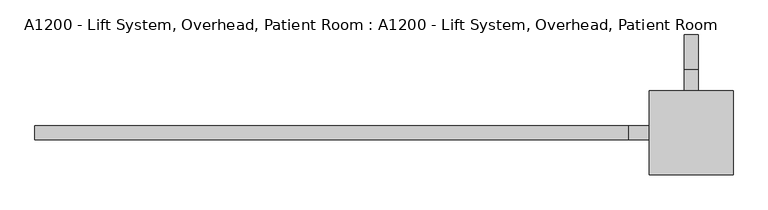
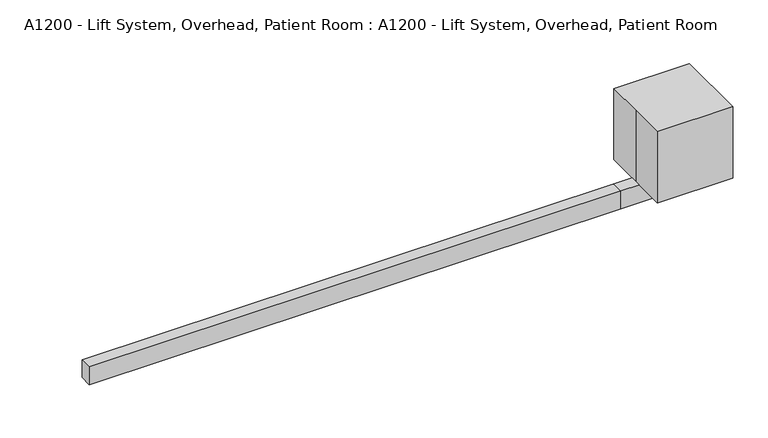
"""IFC4 building model written with IfcOpenShell, lengths in millimetres: proxy geometry, A1200 - Lift System, Overhead, Patient Room : A1200 - Lift System, Overhead, Patient Room."""

from ifc_helpers import new_model, si_unit, frame, origin, origin_with_axes, place, context, project, spatial, polyline, outline, extrude, source, transform, mapped, element, save


def a1200_lift_system_overhead_patient_room_a1200_lift_system_8ed1540f(model_context):
    return source(origin(), model_context, "Body", "SweptSolid", [
        extrude(outline(polyline([(-228.6, 25.4), (-228.6, -25.4), (-2379.5509006, -25.4), (-2379.5509006, 25.4), (-228.6, 25.4)])), frame((0.0, 0.0, -76.2), z_axis=(0.0, 0.0, 1.0), x_axis=(1.0, 0.0, 0.0)), (0.0, 0.0, 1.0), 76.2),
        extrude(outline(polyline([(-25.4, 228.6), (25.4, 228.6), (25.4, -25.4), (-228.6, -25.4), (-228.6, 25.4), (-25.4, 25.4), (-25.4, 228.6)])), frame((0.0, 0.0, -76.2), z_axis=(0.0, 0.0, 1.0), x_axis=(1.0, 0.0, 0.0)), (0.0, 0.0, 1.0), 76.2),
        extrude(outline(polyline([(25.4, 228.6), (-25.4, 228.6), (-25.4, 355.6), (25.4, 355.6), (25.4, 228.6)])), frame((0.0, 0.0, -76.2), z_axis=(0.0, 0.0, 1.0), x_axis=(1.0, 0.0, 0.0)), (0.0, 0.0, 1.0), 76.2),
        extrude(outline(polyline([(-152.4, 152.4), (152.4, 152.4), (152.4, -152.4), (-152.4, -152.4), (-152.4, 0.0), (-152.4, 152.4)])), origin_with_axes(), (0.0, 0.0, 1.0), 304.8),
    ])


if __name__ == "__main__":
    model = new_model("IFC4")
    model_context = context("Model", 3, world=origin())
    ifc_project = project(units=[si_unit("LENGTHUNIT", "METRE", prefix="MILLI")], contexts=[model_context])
    site = spatial("IfcSite", under=ifc_project)
    building = spatial("IfcBuilding", under=site)
    placement = place(None, origin())
    a1200_lift_system_overhead_patient_room_a1200_lift_system_shape = a1200_lift_system_overhead_patient_room_a1200_lift_system_8ed1540f(model_context)
    element("IfcBuildingElementProxy", 1, Name="A1200 - Lift System, Overhead, Patient Room : A1200 - Lift System, Overhead, Patient Room", ObjectType="A1200 - Lift System, Overhead, Patient Room : A1200 - Lift System, Overhead, Patient Room", at=placement, inside=building, context=model_context, shape_type="MappedRepresentation", body=[
        mapped(a1200_lift_system_overhead_patient_room_a1200_lift_system_shape, transform((0.0, 0.0, 0.0), x_axis=(1.0, 0.0, 0.0), y_axis=(0.0, 1.0, 0.0), z_axis=(0.0, 0.0, 1.0))),
    ])
    save(model, "model.ifc")
